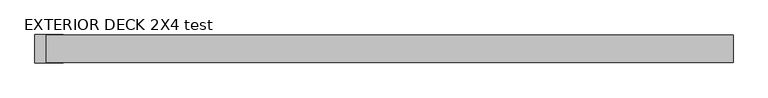
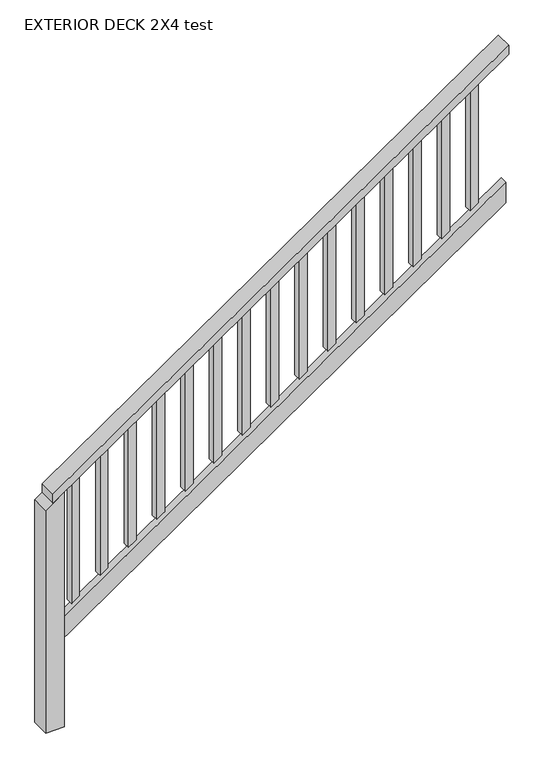
"""IFC4 building model written with IfcOpenShell, lengths in millimetres: railing geometry, EXTERIOR DECK 2X4 test."""

from ifc_helpers import new_model, si_unit, frame, origin, place, context, project, spatial, polyline, outline, extrude, source, transform, mapped, element, save


def exterior_deck_2x4_test_45f9280e(model_context):
    return source(origin(), model_context, "Body", "SweptSolid", [
        extrude(outline(polyline([(-731.52, 217.6610723), (-777.8292197, 217.6610723), (766.4907803, 2452.8610723), (812.8, 2452.8610723), (-731.52, 217.6610723)])), frame((0.0, 4158.8534639, 0.0), z_axis=(0.0, 1.0, 0.0), x_axis=(0.0, 0.0, 1.0)), (0.0, 0.0, 1.0), 88.9),
        extrude(outline(polyline([(-1455.42, 217.6610723), (-1563.474846, 217.6610723), (-19.154846, 2452.8610723), (88.9, 2452.8610723), (-1455.42, 217.6610723)])), frame((0.0, 4184.2534639, 0.0), z_axis=(0.0, 1.0, 0.0), x_axis=(0.0, 0.0, 1.0)), (0.0, 0.0, 1.0), 38.1),
        extrude(outline(polyline([(683.1325985, 2332.2110723), (656.8089621, 2294.1110723), (-20.7818182, 2294.1110723), (5.5418182, 2332.2110723), (683.1325985, 2332.2110723)])), frame((0.0, 4209.6534639, 0.0), z_axis=(0.0, 1.0, 0.0), x_axis=(0.0, 0.0, 1.0)), (0.0, 0.0, 1.0), 38.1),
        extrude(outline(polyline([(586.6125985, 2192.5110723), (560.2889621, 2154.4110723), (-117.3018182, 2154.4110723), (-90.9781818, 2192.5110723), (586.6125985, 2192.5110723)])), frame((0.0, 4209.6534639, 0.0), z_axis=(0.0, 1.0, 0.0), x_axis=(0.0, 0.0, 1.0)), (0.0, 0.0, 1.0), 38.1),
        extrude(outline(polyline([(490.0925985, 2052.8110723), (463.7689621, 2014.7110723), (-213.8218182, 2014.7110723), (-187.4981818, 2052.8110723), (490.0925985, 2052.8110723)])), frame((0.0, 4209.6534639, 0.0), z_axis=(0.0, 1.0, 0.0), x_axis=(0.0, 0.0, 1.0)), (0.0, 0.0, 1.0), 38.1),
        extrude(outline(polyline([(393.5725985, 1913.1110723), (367.2489621, 1875.0110723), (-310.3418182, 1875.0110723), (-284.0181818, 1913.1110723), (393.5725985, 1913.1110723)])), frame((0.0, 4209.6534639, 0.0), z_axis=(0.0, 1.0, 0.0), x_axis=(0.0, 0.0, 1.0)), (0.0, 0.0, 1.0), 38.1),
        extrude(outline(polyline([(297.0525985, 1773.4110723), (270.7289621, 1735.3110723), (-406.8618182, 1735.3110723), (-380.5381818, 1773.4110723), (297.0525985, 1773.4110723)])), frame((0.0, 4209.6534639, 0.0), z_axis=(0.0, 1.0, 0.0), x_axis=(0.0, 0.0, 1.0)), (0.0, 0.0, 1.0), 38.1),
        extrude(outline(polyline([(200.5325985, 1633.7110723), (174.2089621, 1595.6110723), (-503.3818182, 1595.6110723), (-477.0581818, 1633.7110723), (200.5325985, 1633.7110723)])), frame((0.0, 4209.6534639, 0.0), z_axis=(0.0, 1.0, 0.0), x_axis=(0.0, 0.0, 1.0)), (0.0, 0.0, 1.0), 38.1),
        extrude(outline(polyline([(104.0125985, 1494.0110723), (77.6889621, 1455.9110723), (-599.9018182, 1455.9110723), (-573.5781818, 1494.0110723), (104.0125985, 1494.0110723)])), frame((0.0, 4209.6534639, 0.0), z_axis=(0.0, 1.0, 0.0), x_axis=(0.0, 0.0, 1.0)), (0.0, 0.0, 1.0), 38.1),
        extrude(outline(polyline([(7.4925985, 1354.3110723), (-18.8310379, 1316.2110723), (-696.4218182, 1316.2110723), (-670.0981818, 1354.3110723), (7.4925985, 1354.3110723)])), frame((0.0, 4209.6534639, 0.0), z_axis=(0.0, 1.0, 0.0), x_axis=(0.0, 0.0, 1.0)), (0.0, 0.0, 1.0), 38.1),
        extrude(outline(polyline([(-89.0274015, 1214.6110723), (-115.3510379, 1176.5110723), (-792.9418182, 1176.5110723), (-766.6181818, 1214.6110723), (-89.0274015, 1214.6110723)])), frame((0.0, 4209.6534639, 0.0), z_axis=(0.0, 1.0, 0.0), x_axis=(0.0, 0.0, 1.0)), (0.0, 0.0, 1.0), 38.1),
        extrude(outline(polyline([(-185.5474015, 1074.9110723), (-211.8710379, 1036.8110723), (-889.4618182, 1036.8110723), (-863.1381818, 1074.9110723), (-185.5474015, 1074.9110723)])), frame((0.0, 4209.6534639, 0.0), z_axis=(0.0, 1.0, 0.0), x_axis=(0.0, 0.0, 1.0)), (0.0, 0.0, 1.0), 38.1),
        extrude(outline(polyline([(-282.0674015, 935.2110723), (-308.3910379, 897.1110723), (-985.9818182, 897.1110723), (-959.6581818, 935.2110723), (-282.0674015, 935.2110723)])), frame((0.0, 4209.6534639, 0.0), z_axis=(0.0, 1.0, 0.0), x_axis=(0.0, 0.0, 1.0)), (0.0, 0.0, 1.0), 38.1),
        extrude(outline(polyline([(-378.5874015, 795.5110723), (-404.9110379, 757.4110723), (-1082.5018182, 757.4110723), (-1056.1781818, 795.5110723), (-378.5874015, 795.5110723)])), frame((0.0, 4209.6534639, 0.0), z_axis=(0.0, 1.0, 0.0), x_axis=(0.0, 0.0, 1.0)), (0.0, 0.0, 1.0), 38.1),
        extrude(outline(polyline([(-475.1074015, 655.8110723), (-501.4310379, 617.7110723), (-1179.0218182, 617.7110723), (-1152.6981818, 655.8110723), (-475.1074015, 655.8110723)])), frame((0.0, 4209.6534639, 0.0), z_axis=(0.0, 1.0, 0.0), x_axis=(0.0, 0.0, 1.0)), (0.0, 0.0, 1.0), 38.1),
        extrude(outline(polyline([(-571.6274015, 516.1110723), (-597.9510379, 478.0110723), (-1275.5418182, 478.0110723), (-1249.2181818, 516.1110723), (-571.6274015, 516.1110723)])), frame((0.0, 4209.6534639, 0.0), z_axis=(0.0, 1.0, 0.0), x_axis=(0.0, 0.0, 1.0)), (0.0, 0.0, 1.0), 38.1),
        extrude(outline(polyline([(-668.1474015, 376.4110723), (-694.4710379, 338.3110723), (-1372.0618182, 338.3110723), (-1345.7381818, 376.4110723), (-668.1474015, 376.4110723)])), frame((0.0, 4209.6534639, 0.0), z_axis=(0.0, 1.0, 0.0), x_axis=(0.0, 0.0, 1.0)), (0.0, 0.0, 1.0), 38.1),
        extrude(outline(polyline([(-739.6462368, 272.925916), (-802.8503845, 181.4462285), (-1956.8390909, 181.4462285), (-1956.8390909, 272.925916), (-739.6462368, 272.925916)])), frame((0.0, 4157.5636201, 0.0), z_axis=(0.0, 1.0, 0.0), x_axis=(0.0, 0.0, 1.0)), (0.0, 0.0, 1.0), 91.4796875),
    ])


if __name__ == "__main__":
    model = new_model("IFC4")
    model_context = context("Model", 3, world=origin())
    ifc_project = project(units=[si_unit("LENGTHUNIT", "METRE", prefix="MILLI")], contexts=[model_context])
    site = spatial("IfcSite", under=ifc_project)
    building = spatial("IfcBuilding", under=site)
    placement = place(None, origin())
    exterior_deck_2x4_test_shape = exterior_deck_2x4_test_45f9280e(model_context)
    element("IfcRailing", 1, ObjectType="EXTERIOR DECK 2X4 test", at=placement, inside=building, context=model_context, shape_type="MappedRepresentation", body=[
        mapped(exterior_deck_2x4_test_shape, transform((0.0, 0.0, 0.0), x_axis=(1.0, 0.0, 0.0), y_axis=(0.0, 1.0, 0.0), z_axis=(0.0, 0.0, 1.0))),
    ])
    save(model, "model.ifc")
